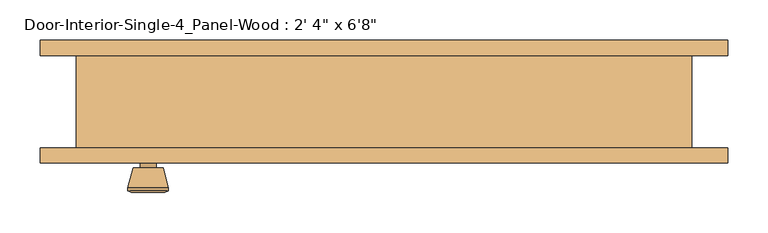
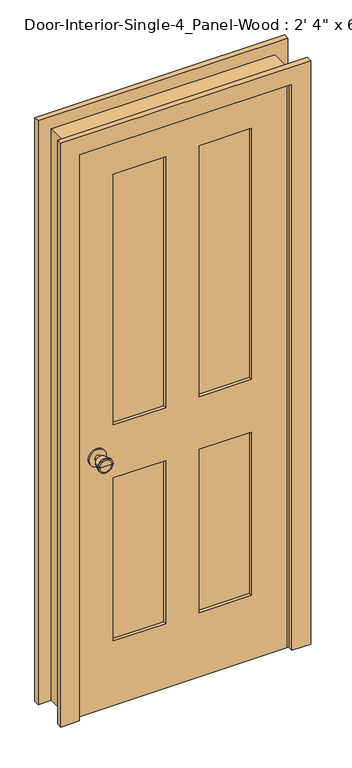
"""IFC4 building model written with IfcOpenShell, lengths in millimetres: door geometry."""

from ifc_helpers import new_model, si_unit, point, frame, frame_2d, origin, place, context, project, spatial, polyline, circle_curve, trimmed, segment, composite_curve, outline, extrude, faceted_brep, source, transform, mapped, element, save
from ifc_brep_helpers import plane_surface, cylinder_surface, revolved_surface, advanced_brep


def door_712e862b(model_context):
    return source(origin(), model_context, "Body", "SolidModel", [
        advanced_brep(
        [(-292.1, -13.05, 914.4), (-302.1, -13.05, 914.4), (-282.1, -13.05, 914.4), (-271.6241324, 35.95, 914.4), (-312.5758676, 35.95, 914.4), (-292.1, 35.95, 914.4), (-267.1, 34.1221319, 914.4), (-317.1, 34.1221319, 914.4), (-267.1, 30.6584537, 914.4), (-317.1, 30.6584537, 914.4), (-273.463764, 5.95, 914.4), (-310.736236, 5.95, 914.4), (-282.1, 5.95, 914.4), (-302.1, 5.95, 914.4)],
        [
            (0, 1),
            (1, 2, circle_curve(frame((-292.1, -13.05, 914.4), z_axis=(0.0, -1.0, 0.0), x_axis=(-1.0, 0.0, 0.0)), 10.0)),
            (2, 0),
            (2, 1, circle_curve(frame((-292.1, -13.05, 914.4), z_axis=(0.0, -1.0, 0.0), x_axis=(-1.0, 0.0, 0.0)), 10.0)),
            (3, 4, circle_curve(frame((-292.1, 35.95, 914.4), z_axis=(0.0, 1.0, 0.0), x_axis=(-1.0, 0.0, 0.0)), 20.4758676)),
            (4, 5),
            (5, 3),
            (4, 3, circle_curve(frame((-292.1, 35.95, 914.4), z_axis=(0.0, 1.0, 0.0), x_axis=(-1.0, 0.0, 0.0)), 20.4758676)),
            (6, 7, circle_curve(frame((-292.1, 34.1221319, 914.4), z_axis=(0.0, 1.0, 0.0), x_axis=(-1.0, 0.0, 0.0)), 25.0)),
            (7, 4),
            (3, 6),
            (7, 6, circle_curve(frame((-292.1, 34.1221319, 914.4), z_axis=(0.0, 1.0, 0.0), x_axis=(-1.0, 0.0, 0.0)), 25.0)),
            (8, 9, circle_curve(frame((-292.1, 30.6584537, 914.4), z_axis=(0.0, 1.0, 0.0), x_axis=(-1.0, 0.0, 0.0)), 25.0)),
            (9, 7),
            (6, 8),
            (9, 8, circle_curve(frame((-292.1, 30.6584537, 914.4), z_axis=(0.0, 1.0, 0.0), x_axis=(-1.0, 0.0, 0.0)), 25.0)),
            (10, 11, circle_curve(frame((-292.1, 5.95, 914.4), z_axis=(0.0, 1.0, 0.0), x_axis=(-1.0, 0.0, 0.0)), 18.636236)),
            (11, 9),
            (8, 10),
            (11, 10, circle_curve(frame((-292.1, 5.95, 914.4), z_axis=(0.0, 1.0, 0.0), x_axis=(-1.0, 0.0, 0.0)), 18.636236)),
            (12, 13, circle_curve(frame((-292.1, 5.95, 914.4), z_axis=(0.0, 1.0, 0.0), x_axis=(-1.0, 0.0, 0.0)), 10.0)),
            (13, 11),
            (10, 12),
            (13, 12, circle_curve(frame((-292.1, 5.95, 914.4), z_axis=(0.0, 1.0, 0.0), x_axis=(-1.0, 0.0, 0.0)), 10.0)),
            (1, 13),
            (12, 2),
        ],
        [
            plane_surface(frame((-292.1, -13.05, 914.4), z_axis=(0.0, -1.0, 0.0), x_axis=(-1.0, 0.0, 0.0))),
            plane_surface(frame((-292.1, 35.95, 914.4), z_axis=(0.0, 1.0, 0.0), x_axis=(-1.0, 0.0, 0.0))),
            revolved_surface(polyline([(-312.5758676, 35.95, 914.4), (-317.1, 34.1221319, 914.4)]), (-292.1, -13.05, 914.4), (0.0, -1.0, 0.0)),
            cylinder_surface(frame((-292.1, -13.05, 914.4), z_axis=(0.0, -1.0, 0.0), x_axis=(-1.0, 0.0, 0.0)), 25.0),
            revolved_surface(polyline([(-317.1, 30.6584537, 914.4), (-310.736236, 5.95, 914.4)]), (-292.1, -13.05, 914.4), (0.0, -1.0, 0.0)),
            plane_surface(frame((-292.1, 5.95, 914.4), z_axis=(0.0, -1.0, 0.0), x_axis=(-1.0, 0.0, 0.0))),
            cylinder_surface(frame((-292.1, -13.05, 914.4), z_axis=(0.0, -1.0, 0.0), x_axis=(-1.0, 0.0, 0.0)), 10.0),
        ],
        [
            (0, [[1, 2, 3]]),
            (0, [[-3, 4, -1]]),
            (1, [[5, 6, 7]]),
            (1, [[8, -7, -6]]),
            (2, [[9, 10, -5, 11]]),
            (2, [[12, -11, -8, -10]]),
            (3, [[13, 14, -9, 15]]),
            (3, [[16, -15, -12, -14]]),
            (4, [[17, 18, -13, 19]]),
            (4, [[20, -19, -16, -18]]),
            (5, [[21, 22, -17, 23]]),
            (5, [[24, -23, -20, -22]]),
            (6, [[-2, 25, -21, 26]]),
            (6, [[-4, -26, -24, -25]]),
        ],
    ),
        extrude(outline(composite_curve([segment(trimmed(circle_curve(frame_2d((914.4, -292.1)), 30.0), [point((914.4, -322.1))], [point((914.4, -262.1))], False, "CARTESIAN"), True, "CONTINUOUS"), segment(trimmed(circle_curve(frame_2d((914.4, -292.1)), 30.0), [point((914.4, -262.1))], [point((914.4, -322.1))], False, "CARTESIAN"), True, "CONTINUOUS")], self_intersect=False)), frame((0.0, -19.05, 0.0), z_axis=(0.0, 1.0, 0.0), x_axis=(0.0, 0.0, 1.0)), (0.0, 0.0, 1.0), 6.0),
        advanced_brep(
        [(-292.1, -59.975, 914.4), (-282.1, -59.975, 914.4), (-302.1, -59.975, 914.4), (-271.6241324, -108.975, 914.4), (-292.1, -108.975, 914.4), (-312.5758676, -108.975, 914.4), (-267.1, -107.1471319, 914.4), (-317.1, -107.1471319, 914.4), (-267.1, -103.6834537, 914.4), (-317.1, -103.6834537, 914.4), (-273.463764, -78.975, 914.4), (-310.736236, -78.975, 914.4), (-282.1, -78.975, 914.4), (-302.1, -78.975, 914.4)],
        [
            (0, 1),
            (1, 2, circle_curve(frame((-292.1, -59.975, 914.4), z_axis=(0.0, 1.0, 0.0), x_axis=(-1.0, 0.0, 0.0)), 10.0)),
            (2, 0),
            (2, 1, circle_curve(frame((-292.1, -59.975, 914.4), z_axis=(0.0, 1.0, 0.0), x_axis=(-1.0, 0.0, 0.0)), 10.0)),
            (3, 4),
            (4, 5),
            (5, 3, circle_curve(frame((-292.1, -108.975, 914.4), z_axis=(0.0, -1.0, 0.0), x_axis=(-1.0, 0.0, 0.0)), 20.4758676)),
            (3, 5, circle_curve(frame((-292.1, -108.975, 914.4), z_axis=(0.0, -1.0, 0.0), x_axis=(-1.0, 0.0, 0.0)), 20.4758676)),
            (6, 3),
            (5, 7),
            (7, 6, circle_curve(frame((-292.1, -107.1471319, 914.4), z_axis=(0.0, -1.0, 0.0), x_axis=(-1.0, 0.0, 0.0)), 25.0)),
            (6, 7, circle_curve(frame((-292.1, -107.1471319, 914.4), z_axis=(0.0, -1.0, 0.0), x_axis=(-1.0, 0.0, 0.0)), 25.0)),
            (8, 6),
            (7, 9),
            (9, 8, circle_curve(frame((-292.1, -103.6834537, 914.4), z_axis=(0.0, -1.0, 0.0), x_axis=(-1.0, 0.0, 0.0)), 25.0)),
            (8, 9, circle_curve(frame((-292.1, -103.6834537, 914.4), z_axis=(0.0, -1.0, 0.0), x_axis=(-1.0, 0.0, 0.0)), 25.0)),
            (10, 8),
            (9, 11),
            (11, 10, circle_curve(frame((-292.1, -78.975, 914.4), z_axis=(0.0, -1.0, 0.0), x_axis=(-1.0, 0.0, 0.0)), 18.636236)),
            (10, 11, circle_curve(frame((-292.1, -78.975, 914.4), z_axis=(0.0, -1.0, 0.0), x_axis=(-1.0, 0.0, 0.0)), 18.636236)),
            (12, 10),
            (11, 13),
            (13, 12, circle_curve(frame((-292.1, -78.975, 914.4), z_axis=(0.0, -1.0, 0.0), x_axis=(-1.0, 0.0, 0.0)), 10.0)),
            (12, 13, circle_curve(frame((-292.1, -78.975, 914.4), z_axis=(0.0, -1.0, 0.0), x_axis=(-1.0, 0.0, 0.0)), 10.0)),
            (1, 12),
            (13, 2),
        ],
        [
            plane_surface(frame((-292.1, -59.975, 914.4), z_axis=(0.0, 1.0, 0.0), x_axis=(-1.0, 0.0, 0.0))),
            plane_surface(frame((-292.1, -108.975, 914.4), z_axis=(0.0, -1.0, 0.0), x_axis=(-1.0, 0.0, 0.0))),
            revolved_surface(polyline([(-312.5758676, -108.975, 914.4), (-317.1, -107.1471319, 914.4)]), (-292.1, -59.975, 914.4), (0.0, 1.0, 0.0)),
            cylinder_surface(frame((-292.1, -59.975, 914.4), z_axis=(0.0, 1.0, 0.0), x_axis=(-1.0, 0.0, 0.0)), 25.0),
            revolved_surface(polyline([(-317.1, -103.6834537, 914.4), (-310.736236, -78.975, 914.4)]), (-292.1, -59.975, 914.4), (0.0, 1.0, 0.0)),
            plane_surface(frame((-292.1, -78.975, 914.4), z_axis=(0.0, 1.0, 0.0), x_axis=(-1.0, 0.0, 0.0))),
            cylinder_surface(frame((-292.1, -59.975, 914.4), z_axis=(0.0, 1.0, 0.0), x_axis=(-1.0, 0.0, 0.0)), 10.0),
        ],
        [
            (0, [[1, 2, 3]]),
            (0, [[-3, 4, -1]]),
            (1, [[5, 6, 7]]),
            (1, [[-6, -5, 8]]),
            (2, [[9, -7, 10, 11]]),
            (2, [[-10, -8, -9, 12]]),
            (3, [[13, -11, 14, 15]]),
            (3, [[-14, -12, -13, 16]]),
            (4, [[17, -15, 18, 19]]),
            (4, [[-18, -16, -17, 20]]),
            (5, [[21, -19, 22, 23]]),
            (5, [[-22, -20, -21, 24]]),
            (6, [[25, -23, 26, -2]]),
            (6, [[-26, -24, -25, -4]]),
        ],
    ),
        extrude(outline(composite_curve([segment(trimmed(circle_curve(frame_2d((914.4, -292.1)), 30.0), [point((914.4, -322.1))], [point((914.4, -262.1))], False, "CARTESIAN"), True, "CONTINUOUS"), segment(trimmed(circle_curve(frame_2d((914.4, -292.1)), 30.0), [point((914.4, -262.1))], [point((914.4, -322.1))], False, "CARTESIAN"), True, "CONTINUOUS")], self_intersect=False)), frame((0.0, -59.975, 0.0), z_axis=(0.0, 1.0, 0.0), x_axis=(0.0, 0.0, 1.0)), (0.0, 0.0, 1.0), 6.0),
        extrude(outline(polyline([(234.95, -30.6916667), (234.95, -42.3333333), (57.15, -42.3333333), (57.15, -30.6916667), (234.95, -30.6916667)])), frame((0.0, 0.0, 1009.65), z_axis=(0.0, 0.0, 1.0), x_axis=(1.0, 0.0, 0.0)), (0.0, 0.0, 1.0), 903.2875),
        extrude(outline(polyline([(-57.15, -30.6916667), (-57.15, -42.3333333), (-234.95, -42.3333333), (-234.95, -30.6916667), (-57.15, -30.6916667)])), frame((0.0, 0.0, 1009.65), z_axis=(0.0, 0.0, 1.0), x_axis=(1.0, 0.0, 0.0)), (0.0, 0.0, 1.0), 903.2875),
        extrude(outline(polyline([(234.95, -30.6916667), (234.95, -42.3333333), (57.15, -42.3333333), (57.15, -30.6916667), (234.95, -30.6916667)])), frame((0.0, 0.0, 231.775), z_axis=(0.0, 0.0, 1.0), x_axis=(1.0, 0.0, 0.0)), (0.0, 0.0, 1.0), 587.375),
        extrude(outline(polyline([(-57.15, -30.6916667), (-57.15, -42.3333333), (-234.95, -42.3333333), (-234.95, -30.6916667), (-57.15, -30.6916667)])), frame((0.0, 0.0, 231.775), z_axis=(0.0, 0.0, 1.0), x_axis=(1.0, 0.0, 0.0)), (0.0, 0.0, 1.0), 587.375),
        extrude(outline(polyline([(2032.0, -355.6), (0.0, -355.6), (0.0, 355.6), (2032.0, 355.6), (2032.0, -355.6)]), holes=[polyline([(1912.9375, 57.15), (1912.9375, 234.95), (1009.65, 234.95), (1009.65, 57.15), (1912.9375, 57.15)]), polyline([(1009.65, -57.15), (1009.65, -234.95), (1912.9375, -234.95), (1912.9375, -57.15), (1009.65, -57.15)]), polyline([(819.15, 57.15), (819.15, 234.95), (231.775, 234.95), (231.775, 57.15), (819.15, 57.15)]), polyline([(231.775, -57.15), (231.775, -234.95), (819.15, -234.95), (819.15, -57.15), (231.775, -57.15)])]), frame((0.0, -53.975, 0.0), z_axis=(0.0, 1.0, 0.0), x_axis=(0.0, 0.0, 1.0)), (0.0, 0.0, 1.0), 34.925),
        faceted_brep([(381.0, -53.975, 0.0), (355.6, -53.975, 0.0), (355.6, -19.05, 0.0), (342.9, -19.05, 0.0), (342.9, 15.875, 0.0), (355.6, 15.875, 0.0), (355.6, 60.325, 0.0), (381.0, 60.325, 0.0), (381.0, 60.325, 2057.4), (381.0, -53.975, 2057.4), (355.6, 60.325, 2032.0), (-355.6, 60.325, 2032.0), (-355.6, 60.325, 0.0), (-381.0, 60.325, 0.0), (-381.0, 60.325, 2057.4), (355.6, 15.875, 2032.0), (342.9, 15.875, 2019.3), (-342.9, 15.875, 2019.3), (-342.9, 15.875, 0.0), (-355.6, 15.875, 0.0), (-355.6, 15.875, 2032.0), (342.9, -19.05, 2019.3), (355.6, -19.05, 2032.0), (-355.6, -19.05, 2032.0), (-355.6, -19.05, 0.0), (-342.9, -19.05, 0.0), (-342.9, -19.05, 2019.3), (355.6, -53.975, 2032.0), (-381.0, -53.975, 2057.4), (-381.0, -53.975, 0.0), (-355.6, -53.975, 0.0), (-355.6, -53.975, 2032.0)], [[[0, 1, 2, 3, 4, 5, 6, 7]], [[7, 8, 9, 0]], [[6, 10, 11, 12, 13, 14, 8, 7]], [[5, 15, 10, 6]], [[4, 16, 17, 18, 19, 20, 15, 5]], [[3, 21, 16, 4]], [[2, 22, 23, 24, 25, 26, 21, 3]], [[1, 27, 22, 2]], [[0, 9, 28, 29, 30, 31, 27, 1]], [[8, 14, 28, 9]], [[15, 20, 11, 10]], [[21, 26, 17, 16]], [[27, 31, 23, 22]], [[29, 13, 12, 19, 18, 25, 24, 30]], [[14, 13, 29, 28]], [[20, 19, 12, 11]], [[26, 25, 18, 17]], [[31, 30, 24, 23]]]),
        extrude(outline(polyline([(0.0, 425.45), (2101.85, 425.45), (2101.85, -425.45), (0.0, -425.45), (0.0, -361.95), (2038.35, -361.95), (2038.35, 361.95), (0.0, 361.95), (0.0, 425.45)])), frame((0.0, 60.325, 0.0), z_axis=(0.0, 1.0, 0.0), x_axis=(0.0, 0.0, 1.0)), (0.0, 0.0, 1.0), 19.05),
        extrude(outline(polyline([(0.0, 425.45), (2101.85, 425.45), (2101.85, -425.45), (0.0, -425.45), (0.0, -361.95), (2038.35, -361.95), (2038.35, 361.95), (0.0, 361.95), (0.0, 425.45)])), frame((0.0, -73.025, 0.0), z_axis=(0.0, 1.0, 0.0), x_axis=(0.0, 0.0, 1.0)), (0.0, 0.0, 1.0), 19.05),
    ])


if __name__ == "__main__":
    model = new_model("IFC4")
    model_context = context("Model", 3, world=origin())
    ifc_project = project(units=[si_unit("LENGTHUNIT", "METRE", prefix="MILLI")], contexts=[model_context])
    site = spatial("IfcSite", under=ifc_project)
    building = spatial("IfcBuilding", under=site)
    placement = place(None, origin())
    door_shape = door_712e862b(model_context)
    element("IfcDoor", 1, ObjectType="Door-Interior-Single-4_Panel-Wood : 2' 4\" x 6'8\"", at=placement, inside=building, context=model_context, shape_type="MappedRepresentation", body=[
        mapped(door_shape, transform((0.0, 0.0, 0.0), x_axis=(1.0, 0.0, 0.0), y_axis=(0.0, 1.0, 0.0), z_axis=(0.0, 0.0, 1.0))),
    ])
    save(model, "model.ifc")
